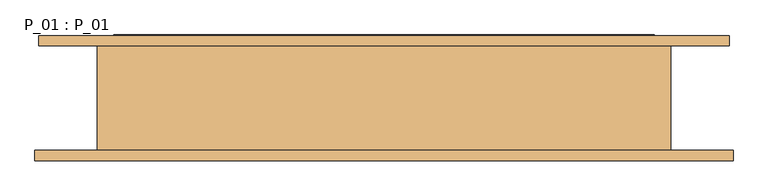
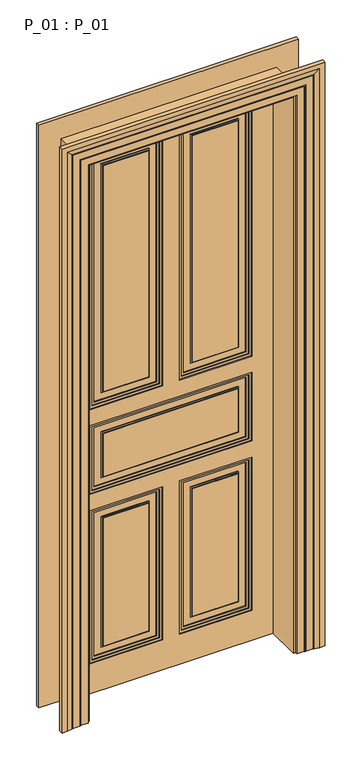
"""IFC4 building model written with IfcOpenShell, lengths in millimetres: door geometry, P_01 : P_01."""

from ifc_helpers import new_model, si_unit, frame, origin, origin_with_axes, place, context, project, spatial, polyline, outline, extrude, faceted_brep, source, transform, mapped, element, save


def p_01_p_01_f4039134(model_context):
    return source(origin(), model_context, "Body", "SolidModel", [
        extrude(outline(polyline([(2300.0, 45.0), (1235.0, 45.0), (1235.0, 320.0), (2300.0, 320.0), (2300.0, 45.0)]), holes=[polyline([(2290.0, 55.0), (2290.0, 310.0), (1245.0, 310.0), (1245.0, 55.0), (2290.0, 55.0)])]), frame((0.0, 71.0, 0.0), z_axis=(0.0, 1.0, 0.0), x_axis=(0.0, 0.0, 1.0)), (0.0, 0.0, 1.0), 4.0),
        extrude(outline(polyline([(2300.0, -320.0), (1235.0, -320.0), (1235.0, -45.0), (2300.0, -45.0), (2300.0, -320.0)]), holes=[polyline([(2290.0, -310.0), (2290.0, -55.0), (1245.0, -55.0), (1245.0, -310.0), (2290.0, -310.0)])]), frame((0.0, 71.0, 0.0), z_axis=(0.0, 1.0, 0.0), x_axis=(0.0, 0.0, 1.0)), (0.0, 0.0, 1.0), 4.0),
        extrude(outline(polyline([(780.0, 45.0), (140.0, 45.0), (140.0, 320.0), (780.0, 320.0), (780.0, 45.0)]), holes=[polyline([(770.0, 55.0), (770.0, 310.0), (150.0, 310.0), (150.0, 55.0), (770.0, 55.0)])]), frame((0.0, 71.0, 0.0), z_axis=(0.0, 1.0, 0.0), x_axis=(0.0, 0.0, 1.0)), (0.0, 0.0, 1.0), 4.0),
        extrude(outline(polyline([(780.0, -320.0), (140.0, -320.0), (140.0, -45.0), (780.0, -45.0), (780.0, -320.0)]), holes=[polyline([(770.0, -310.0), (770.0, -55.0), (150.0, -55.0), (150.0, -310.0), (770.0, -310.0)])]), frame((0.0, 71.0, 0.0), z_axis=(0.0, 1.0, 0.0), x_axis=(0.0, 0.0, 1.0)), (0.0, 0.0, 1.0), 4.0),
        extrude(outline(polyline([(740.0, 85.0), (180.0, 85.0), (180.0, 280.0), (740.0, 280.0), (740.0, 85.0)]), holes=[polyline([(735.0, 90.0), (735.0, 275.0), (185.0, 275.0), (185.0, 90.0), (735.0, 90.0)])]), frame((0.0, 71.0, 0.0), z_axis=(0.0, 1.0, 0.0), x_axis=(0.0, 0.0, 1.0)), (0.0, 0.0, 1.0), 4.0),
        extrude(outline(polyline([(740.0, -280.0), (180.0, -280.0), (180.0, -85.0), (740.0, -85.0), (740.0, -280.0)]), holes=[polyline([(735.0, -275.0), (735.0, -90.0), (185.0, -90.0), (185.0, -275.0), (735.0, -275.0)])]), frame((0.0, 71.0, 0.0), z_axis=(0.0, 1.0, 0.0), x_axis=(0.0, 0.0, 1.0)), (0.0, 0.0, 1.0), 4.0),
        extrude(outline(polyline([(1145.0, -320.0), (870.0, -320.0), (870.0, 320.0), (1145.0, 320.0), (1145.0, -320.0)]), holes=[polyline([(1135.0, -310.0), (1135.0, 310.0), (880.0, 310.0), (880.0, -310.0), (1135.0, -310.0)])]), frame((0.0, 71.0, 0.0), z_axis=(0.0, 1.0, 0.0), x_axis=(0.0, 0.0, 1.0)), (0.0, 0.0, 1.0), 4.0),
        extrude(outline(polyline([(1105.0, -280.0), (910.0, -280.0), (910.0, 280.0), (1105.0, 280.0), (1105.0, -280.0)]), holes=[polyline([(1100.0, -275.0), (1100.0, 275.0), (915.0, 275.0), (915.0, -275.0), (1100.0, -275.0)])]), frame((0.0, 71.0, 0.0), z_axis=(0.0, 1.0, 0.0), x_axis=(0.0, 0.0, 1.0)), (0.0, 0.0, 1.0), 4.0),
        extrude(outline(polyline([(2260.0, 85.0), (1275.0, 85.0), (1275.0, 280.0), (2260.0, 280.0), (2260.0, 85.0)]), holes=[polyline([(2255.0, 90.0), (2255.0, 275.0), (1280.0, 275.0), (1280.0, 90.0), (2255.0, 90.0)])]), frame((0.0, 71.0, 0.0), z_axis=(0.0, 1.0, 0.0), x_axis=(0.0, 0.0, 1.0)), (0.0, 0.0, 1.0), 4.0),
        extrude(outline(polyline([(1275.0, -280.0), (1275.0, -85.0), (2260.0, -85.0), (2260.0, -280.0), (1275.0, -280.0)]), holes=[polyline([(1280.0, -275.0), (2255.0, -275.0), (2255.0, -90.0), (1280.0, -90.0), (1280.0, -275.0)])]), frame((0.0, 71.0, 0.0), z_axis=(0.0, 1.0, 0.0), x_axis=(0.0, 0.0, 1.0)), (0.0, 0.0, 1.0), 4.0),
        extrude(outline(polyline([(90.0, 75.0), (275.0, 75.0), (275.0, 67.0), (90.0, 67.0), (90.0, 75.0)])), frame((0.0, 0.0, 185.0), z_axis=(0.0, 0.0, 1.0), x_axis=(1.0, 0.0, 0.0)), (0.0, 0.0, 1.0), 550.0),
        extrude(outline(polyline([(-275.0, 75.0), (-90.0, 75.0), (-90.0, 67.0), (-275.0, 67.0), (-275.0, 75.0)])), frame((0.0, 0.0, 185.0), z_axis=(0.0, 0.0, 1.0), x_axis=(1.0, 0.0, 0.0)), (0.0, 0.0, 1.0), 550.0),
        extrude(outline(polyline([(-275.0, 75.0), (275.0, 75.0), (275.0, 67.0), (-275.0, 67.0), (-275.0, 75.0)])), frame((0.0, 0.0, 915.0), z_axis=(0.0, 0.0, 1.0), x_axis=(1.0, 0.0, 0.0)), (0.0, 0.0, 1.0), 185.0),
        extrude(outline(polyline([(90.0, 75.0), (275.0, 75.0), (275.0, 67.0), (90.0, 67.0), (90.0, 75.0)])), frame((0.0, 0.0, 1280.0), z_axis=(0.0, 0.0, 1.0), x_axis=(1.0, 0.0, 0.0)), (0.0, 0.0, 1.0), 975.0),
        extrude(outline(polyline([(-275.0, 75.0), (-90.0, 75.0), (-90.0, 67.0), (-275.0, 67.0), (-275.0, 75.0)])), frame((0.0, 0.0, 1280.0), z_axis=(0.0, 0.0, 1.0), x_axis=(1.0, 0.0, 0.0)), (0.0, 0.0, 1.0), 975.0),
        extrude(outline(polyline([(2310.0, -35.0), (2310.0, -330.0), (1225.0, -330.0), (1225.0, -35.0), (2310.0, -35.0)]), holes=[polyline([(2300.0, -320.0), (2300.0, -45.0), (1235.0, -45.0), (1235.0, -320.0), (2300.0, -320.0)])]), frame((0.0, 67.0, 0.0), z_axis=(0.0, 1.0, 0.0), x_axis=(0.0, 0.0, 1.0)), (0.0, 0.0, 1.0), 8.0),
        extrude(outline(polyline([(1225.0, 330.0), (2310.0, 330.0), (2310.0, 35.0), (1225.0, 35.0), (1225.0, 330.0)]), holes=[polyline([(2300.0, 45.0), (2300.0, 320.0), (1235.0, 320.0), (1235.0, 45.0), (2300.0, 45.0)])]), frame((0.0, 67.0, 0.0), z_axis=(0.0, 1.0, 0.0), x_axis=(0.0, 0.0, 1.0)), (0.0, 0.0, 1.0), 8.0),
        extrude(outline(polyline([(790.0, -330.0), (130.0, -330.0), (130.0, -35.0), (790.0, -35.0), (790.0, -330.0)]), holes=[polyline([(780.0, -320.0), (780.0, -45.0), (140.0, -45.0), (140.0, -320.0), (780.0, -320.0)])]), frame((0.0, 67.0, 0.0), z_axis=(0.0, 1.0, 0.0), x_axis=(0.0, 0.0, 1.0)), (0.0, 0.0, 1.0), 8.0),
        extrude(outline(polyline([(130.0, 330.0), (790.0, 330.0), (790.0, 35.0), (130.0, 35.0), (130.0, 330.0)]), holes=[polyline([(780.0, 45.0), (780.0, 320.0), (140.0, 320.0), (140.0, 45.0), (780.0, 45.0)])]), frame((0.0, 67.0, 0.0), z_axis=(0.0, 1.0, 0.0), x_axis=(0.0, 0.0, 1.0)), (0.0, 0.0, 1.0), 8.0),
        extrude(outline(polyline([(1155.0, -330.0), (860.0, -330.0), (860.0, 330.0), (1155.0, 330.0), (1155.0, -330.0)]), holes=[polyline([(1145.0, -320.0), (1145.0, 320.0), (870.0, 320.0), (870.0, -320.0), (1145.0, -320.0)])]), frame((0.0, 67.0, 0.0), z_axis=(0.0, 1.0, 0.0), x_axis=(0.0, 0.0, 1.0)), (0.0, 0.0, 1.0), 8.0),
        extrude(outline(polyline([(0.0, 415.0), (2395.0, 415.0), (2395.0, -415.0), (0.0, -415.0), (0.0, 415.0)]), holes=[polyline([(1225.0, 35.0), (2310.0, 35.0), (2310.0, 330.0), (1225.0, 330.0), (1225.0, 35.0)]), polyline([(1225.0, -35.0), (1225.0, -330.0), (2310.0, -330.0), (2310.0, -35.0), (1225.0, -35.0)]), polyline([(790.0, -35.0), (130.0, -35.0), (130.0, -330.0), (790.0, -330.0), (790.0, -35.0)]), polyline([(130.0, 35.0), (790.0, 35.0), (790.0, 330.0), (130.0, 330.0), (130.0, 35.0)]), polyline([(1155.0, 330.0), (860.0, 330.0), (860.0, -330.0), (1155.0, -330.0), (1155.0, 330.0)])]), frame((0.0, 63.0, 0.0), z_axis=(0.0, 1.0, 0.0), x_axis=(0.0, 0.0, 1.0)), (0.0, 0.0, 1.0), 12.0),
        extrude(outline(polyline([(275.0, 85.0), (90.0, 85.0), (90.0, 93.0), (275.0, 93.0), (275.0, 85.0)])), frame((0.0, 0.0, 185.0), z_axis=(0.0, 0.0, 1.0), x_axis=(1.0, 0.0, 0.0)), (0.0, 0.0, 1.0), 550.0),
        extrude(outline(polyline([(-90.0, 85.0), (-275.0, 85.0), (-275.0, 93.0), (-90.0, 93.0), (-90.0, 85.0)])), frame((0.0, 0.0, 185.0), z_axis=(0.0, 0.0, 1.0), x_axis=(1.0, 0.0, 0.0)), (0.0, 0.0, 1.0), 550.0),
        extrude(outline(polyline([(275.0, 85.0), (-275.0, 85.0), (-275.0, 93.0), (275.0, 93.0), (275.0, 85.0)])), frame((0.0, 0.0, 915.0), z_axis=(0.0, 0.0, 1.0), x_axis=(1.0, 0.0, 0.0)), (0.0, 0.0, 1.0), 185.0),
        extrude(outline(polyline([(275.0, 85.0), (90.0, 85.0), (90.0, 93.0), (275.0, 93.0), (275.0, 85.0)])), frame((0.0, 0.0, 1280.0), z_axis=(0.0, 0.0, 1.0), x_axis=(1.0, 0.0, 0.0)), (0.0, 0.0, 1.0), 975.0),
        extrude(outline(polyline([(-90.0, 85.0), (-275.0, 85.0), (-275.0, 93.0), (-90.0, 93.0), (-90.0, 85.0)])), frame((0.0, 0.0, 1280.0), z_axis=(0.0, 0.0, 1.0), x_axis=(1.0, 0.0, 0.0)), (0.0, 0.0, 1.0), 975.0),
        extrude(outline(polyline([(420.0, 75.0), (-420.0, 75.0), (-420.0, 85.0), (420.0, 85.0), (420.0, 75.0)])), origin_with_axes(), (0.0, 0.0, 1.0), 2400.0),
        extrude(outline(polyline([(2300.0, 45.0), (1235.0, 45.0), (1235.0, 320.0), (2300.0, 320.0), (2300.0, 45.0)]), holes=[polyline([(2290.0, 55.0), (2290.0, 310.0), (1245.0, 310.0), (1245.0, 55.0), (2290.0, 55.0)])]), frame((0.0, 85.0, 0.0), z_axis=(0.0, 1.0, 0.0), x_axis=(0.0, 0.0, 1.0)), (0.0, 0.0, 1.0), 4.0),
        extrude(outline(polyline([(2300.0, -320.0), (1235.0, -320.0), (1235.0, -45.0), (2300.0, -45.0), (2300.0, -320.0)]), holes=[polyline([(2290.0, -310.0), (2290.0, -55.0), (1245.0, -55.0), (1245.0, -310.0), (2290.0, -310.0)])]), frame((0.0, 85.0, 0.0), z_axis=(0.0, 1.0, 0.0), x_axis=(0.0, 0.0, 1.0)), (0.0, 0.0, 1.0), 4.0),
        extrude(outline(polyline([(780.0, 45.0), (140.0, 45.0), (140.0, 320.0), (780.0, 320.0), (780.0, 45.0)]), holes=[polyline([(770.0, 55.0), (770.0, 310.0), (150.0, 310.0), (150.0, 55.0), (770.0, 55.0)])]), frame((0.0, 85.0, 0.0), z_axis=(0.0, 1.0, 0.0), x_axis=(0.0, 0.0, 1.0)), (0.0, 0.0, 1.0), 4.0),
        extrude(outline(polyline([(780.0, -320.0), (140.0, -320.0), (140.0, -45.0), (780.0, -45.0), (780.0, -320.0)]), holes=[polyline([(770.0, -310.0), (770.0, -55.0), (150.0, -55.0), (150.0, -310.0), (770.0, -310.0)])]), frame((0.0, 85.0, 0.0), z_axis=(0.0, 1.0, 0.0), x_axis=(0.0, 0.0, 1.0)), (0.0, 0.0, 1.0), 4.0),
        extrude(outline(polyline([(740.0, 85.0), (180.0, 85.0), (180.0, 280.0), (740.0, 280.0), (740.0, 85.0)]), holes=[polyline([(735.0, 90.0), (735.0, 275.0), (185.0, 275.0), (185.0, 90.0), (735.0, 90.0)])]), frame((0.0, 85.0, 0.0), z_axis=(0.0, 1.0, 0.0), x_axis=(0.0, 0.0, 1.0)), (0.0, 0.0, 1.0), 4.0),
        extrude(outline(polyline([(740.0, -280.0), (180.0, -280.0), (180.0, -85.0), (740.0, -85.0), (740.0, -280.0)]), holes=[polyline([(735.0, -275.0), (735.0, -90.0), (185.0, -90.0), (185.0, -275.0), (735.0, -275.0)])]), frame((0.0, 85.0, 0.0), z_axis=(0.0, 1.0, 0.0), x_axis=(0.0, 0.0, 1.0)), (0.0, 0.0, 1.0), 4.0),
        extrude(outline(polyline([(1145.0, -320.0), (870.0, -320.0), (870.0, 320.0), (1145.0, 320.0), (1145.0, -320.0)]), holes=[polyline([(1135.0, -310.0), (1135.0, 310.0), (880.0, 310.0), (880.0, -310.0), (1135.0, -310.0)])]), frame((0.0, 85.0, 0.0), z_axis=(0.0, 1.0, 0.0), x_axis=(0.0, 0.0, 1.0)), (0.0, 0.0, 1.0), 4.0),
        extrude(outline(polyline([(1105.0, -280.0), (910.0, -280.0), (910.0, 280.0), (1105.0, 280.0), (1105.0, -280.0)]), holes=[polyline([(1100.0, -275.0), (1100.0, 275.0), (915.0, 275.0), (915.0, -275.0), (1100.0, -275.0)])]), frame((0.0, 85.0, 0.0), z_axis=(0.0, 1.0, 0.0), x_axis=(0.0, 0.0, 1.0)), (0.0, 0.0, 1.0), 4.0),
        extrude(outline(polyline([(2260.0, 85.0), (1275.0, 85.0), (1275.0, 280.0), (2260.0, 280.0), (2260.0, 85.0)]), holes=[polyline([(2255.0, 90.0), (2255.0, 275.0), (1280.0, 275.0), (1280.0, 90.0), (2255.0, 90.0)])]), frame((0.0, 85.0, 0.0), z_axis=(0.0, 1.0, 0.0), x_axis=(0.0, 0.0, 1.0)), (0.0, 0.0, 1.0), 4.0),
        extrude(outline(polyline([(1275.0, -280.0), (1275.0, -85.0), (2260.0, -85.0), (2260.0, -280.0), (1275.0, -280.0)]), holes=[polyline([(1280.0, -275.0), (2255.0, -275.0), (2255.0, -90.0), (1280.0, -90.0), (1280.0, -275.0)])]), frame((0.0, 85.0, 0.0), z_axis=(0.0, 1.0, 0.0), x_axis=(0.0, 0.0, 1.0)), (0.0, 0.0, 1.0), 4.0),
        extrude(outline(polyline([(2310.0, -35.0), (2310.0, -330.0), (1225.0, -330.0), (1225.0, -35.0), (2310.0, -35.0)]), holes=[polyline([(2300.0, -320.0), (2300.0, -45.0), (1235.0, -45.0), (1235.0, -320.0), (2300.0, -320.0)])]), frame((0.0, 85.0, 0.0), z_axis=(0.0, 1.0, 0.0), x_axis=(0.0, 0.0, 1.0)), (0.0, 0.0, 1.0), 8.0),
        extrude(outline(polyline([(1225.0, 330.0), (2310.0, 330.0), (2310.0, 35.0), (1225.0, 35.0), (1225.0, 330.0)]), holes=[polyline([(2300.0, 45.0), (2300.0, 320.0), (1235.0, 320.0), (1235.0, 45.0), (2300.0, 45.0)])]), frame((0.0, 85.0, 0.0), z_axis=(0.0, 1.0, 0.0), x_axis=(0.0, 0.0, 1.0)), (0.0, 0.0, 1.0), 8.0),
        extrude(outline(polyline([(790.0, -330.0), (130.0, -330.0), (130.0, -35.0), (790.0, -35.0), (790.0, -330.0)]), holes=[polyline([(780.0, -320.0), (780.0, -45.0), (140.0, -45.0), (140.0, -320.0), (780.0, -320.0)])]), frame((0.0, 85.0, 0.0), z_axis=(0.0, 1.0, 0.0), x_axis=(0.0, 0.0, 1.0)), (0.0, 0.0, 1.0), 8.0),
        extrude(outline(polyline([(130.0, 330.0), (790.0, 330.0), (790.0, 35.0), (130.0, 35.0), (130.0, 330.0)]), holes=[polyline([(780.0, 45.0), (780.0, 320.0), (140.0, 320.0), (140.0, 45.0), (780.0, 45.0)])]), frame((0.0, 85.0, 0.0), z_axis=(0.0, 1.0, 0.0), x_axis=(0.0, 0.0, 1.0)), (0.0, 0.0, 1.0), 8.0),
        extrude(outline(polyline([(1155.0, -330.0), (860.0, -330.0), (860.0, 330.0), (1155.0, 330.0), (1155.0, -330.0)]), holes=[polyline([(1145.0, -320.0), (1145.0, 320.0), (870.0, 320.0), (870.0, -320.0), (1145.0, -320.0)])]), frame((0.0, 85.0, 0.0), z_axis=(0.0, 1.0, 0.0), x_axis=(0.0, 0.0, 1.0)), (0.0, 0.0, 1.0), 8.0),
        extrude(outline(polyline([(0.0, 415.0), (2395.0, 415.0), (2395.0, -415.0), (0.0, -415.0), (0.0, 415.0)]), holes=[polyline([(1225.0, 35.0), (2310.0, 35.0), (2310.0, 330.0), (1225.0, 330.0), (1225.0, 35.0)]), polyline([(1225.0, -35.0), (1225.0, -330.0), (2310.0, -330.0), (2310.0, -35.0), (1225.0, -35.0)]), polyline([(790.0, -35.0), (130.0, -35.0), (130.0, -330.0), (790.0, -330.0), (790.0, -35.0)]), polyline([(130.0, 35.0), (790.0, 35.0), (790.0, 330.0), (130.0, 330.0), (130.0, 35.0)]), polyline([(1155.0, 330.0), (860.0, 330.0), (860.0, -330.0), (1155.0, -330.0), (1155.0, 330.0)])]), frame((0.0, 85.0, 0.0), z_axis=(0.0, 1.0, 0.0), x_axis=(0.0, 0.0, 1.0)), (0.0, 0.0, 1.0), 12.0),
        extrude(outline(polyline([(0.0, 415.0), (0.0, 420.0), (2400.0, 420.0), (2400.0, -420.0), (0.0, -420.0), (0.0, -415.0), (2395.0, -415.0), (2395.0, 415.0), (0.0, 415.0)])), frame((0.0, 85.0, 0.0), z_axis=(0.0, 1.0, 0.0), x_axis=(0.0, 0.0, 1.0)), (0.0, 0.0, 1.0), 5.0),
        faceted_brep([(530.0, 80.0, 0.0), (440.0, 80.0, 0.0), (440.0, -80.0, 0.0), (536.0, -80.0, 0.0), (536.0, -96.0, 0.0), (516.0, -96.0, 0.0), (496.0, -92.0291126, 0.0), (496.0, -91.0291126, 0.0), (491.0, -91.0291126, 0.0), (491.0, -90.0291126, 0.0), (461.0, -90.0291126, 0.0), (461.0, -89.0291126, 0.0), (456.0, -89.0291126, 0.0), (456.0, -88.0291126, 0.0), (426.0, -88.0291126, 0.0), (426.0, -80.0, 0.0), (416.0, -80.0, 0.0), (416.0, 80.0, 0.0), (426.0, 80.0, 0.0), (426.0, 88.0291126, 0.0), (456.0, 88.0291126, 0.0), (456.0, 89.0291126, 0.0), (461.0, 89.0291126, 0.0), (461.0, 90.0291126, 0.0), (485.0, 90.0291126, 0.0), (485.0, 91.0291126, 0.0), (490.0, 91.0291126, 0.0), (490.0, 92.0291126, 0.0), (510.0, 96.0, 0.0), (530.0, 96.0, 0.0), (530.0, 80.0, 2510.0), (-530.0, 80.0, 2510.0), (-530.0, 80.0, 0.0), (-440.0, 80.0, 0.0), (-440.0, 80.0, 2420.0), (440.0, 80.0, 2420.0), (440.0, -80.0, 2420.0), (-440.0, -80.0, 2420.0), (-440.0, -80.0, 0.0), (-536.0, -80.0, 0.0), (-536.0, -80.0, 2516.0), (536.0, -80.0, 2516.0), (536.0, -96.0, 2516.0), (-536.0, -96.0, 2516.0), (-536.0, -96.0, 0.0), (-516.0, -96.0, 0.0), (-516.0, -96.0, 2496.0), (516.0, -96.0, 2496.0), (496.0, -92.0291126, 2476.0), (496.0, -91.0291126, 2476.0), (-496.0, -91.0291126, 2476.0), (-496.0, -91.0291126, 0.0), (-491.0, -91.0291126, 0.0), (-491.0, -91.0291126, 2471.0), (491.0, -91.0291126, 2471.0), (491.0, -90.0291126, 2471.0), (-491.0, -90.0291126, 2471.0), (-491.0, -90.0291126, 0.0), (-461.0, -90.0291126, 0.0), (-461.0, -90.0291126, 2441.0), (461.0, -90.0291126, 2441.0), (461.0, -89.0291126, 2441.0), (-461.0, -89.0291126, 2441.0), (-461.0, -89.0291126, 0.0), (-456.0, -89.0291126, 0.0), (-456.0, -89.0291126, 2436.0), (456.0, -89.0291126, 2436.0), (456.0, -88.0291126, 2436.0), (-456.0, -88.0291126, 2436.0), (-456.0, -88.0291126, 0.0), (-426.0, -88.0291126, 0.0), (-426.0, -88.0291126, 2406.0), (426.0, -88.0291126, 2406.0), (426.0, -80.0, 2406.0), (-426.0, -80.0, 2406.0), (-426.0, -80.0, 0.0), (-416.0, -80.0, 0.0), (-416.0, -80.0, 2396.0), (416.0, -80.0, 2396.0), (416.0, 80.0, 2396.0), (-416.0, 80.0, 2396.0), (-416.0, 80.0, 0.0), (-426.0, 80.0, 0.0), (-426.0, 80.0, 2406.0), (426.0, 80.0, 2406.0), (426.0, 88.0291126, 2406.0), (-426.0, 88.0291126, 2406.0), (-426.0, 88.0291126, 0.0), (-456.0, 88.0291126, 0.0), (-456.0, 88.0291126, 2436.0), (456.0, 88.0291126, 2436.0), (456.0, 89.0291126, 2436.0), (-456.0, 89.0291126, 2436.0), (-456.0, 89.0291126, 0.0), (-461.0, 89.0291126, 0.0), (-461.0, 89.0291126, 2441.0), (461.0, 89.0291126, 2441.0), (461.0, 90.0291126, 2441.0), (-461.0, 90.0291126, 2441.0), (-461.0, 90.0291126, 0.0), (-485.0, 90.0291126, 0.0), (-485.0, 90.0291126, 2465.0), (485.0, 90.0291126, 2465.0), (485.0, 91.0291126, 2465.0), (-485.0, 91.0291126, 2465.0), (-485.0, 91.0291126, 0.0), (-490.0, 91.0291126, 0.0), (-490.0, 91.0291126, 2470.0), (490.0, 91.0291126, 2470.0), (490.0, 92.0291126, 2470.0), (510.0, 96.0, 2490.0), (-510.0, 96.0, 2490.0), (-510.0, 96.0, 0.0), (-530.0, 96.0, 0.0), (-530.0, 96.0, 2510.0), (530.0, 96.0, 2510.0), (-490.0, 92.0291126, 0.0), (-496.0, -92.0291126, 0.0), (-490.0, 92.0291126, 2470.0), (-496.0, -92.0291126, 2476.0)], [[[0, 1, 2, 3, 4, 5, 6, 7, 8, 9, 10, 11, 12, 13, 14, 15, 16, 17, 18, 19, 20, 21, 22, 23, 24, 25, 26, 27, 28, 29]], [[1, 0, 30, 31, 32, 33, 34, 35]], [[2, 1, 35, 36]], [[3, 2, 36, 37, 38, 39, 40, 41]], [[4, 3, 41, 42]], [[5, 4, 42, 43, 44, 45, 46, 47]], [[6, 5, 47, 48]], [[7, 6, 48, 49]], [[8, 7, 49, 50, 51, 52, 53, 54]], [[9, 8, 54, 55]], [[10, 9, 55, 56, 57, 58, 59, 60]], [[11, 10, 60, 61]], [[12, 11, 61, 62, 63, 64, 65, 66]], [[13, 12, 66, 67]], [[14, 13, 67, 68, 69, 70, 71, 72]], [[15, 14, 72, 73]], [[16, 15, 73, 74, 75, 76, 77, 78]], [[17, 16, 78, 79]], [[18, 17, 79, 80, 81, 82, 83, 84]], [[19, 18, 84, 85]], [[20, 19, 85, 86, 87, 88, 89, 90]], [[21, 20, 90, 91]], [[22, 21, 91, 92, 93, 94, 95, 96]], [[23, 22, 96, 97]], [[24, 23, 97, 98, 99, 100, 101, 102]], [[25, 24, 102, 103]], [[26, 25, 103, 104, 105, 106, 107, 108]], [[27, 26, 108, 109]], [[28, 27, 109, 110]], [[29, 28, 110, 111, 112, 113, 114, 115]], [[0, 29, 115, 30]], [[31, 114, 113, 32]], [[32, 113, 112, 116, 106, 105, 100, 99, 94, 93, 88, 87, 82, 81, 76, 75, 70, 69, 64, 63, 58, 57, 52, 51, 117, 45, 44, 39, 38, 33]], [[37, 34, 33, 38]], [[74, 71, 70, 75]], [[80, 77, 76, 81]], [[86, 83, 82, 87]], [[111, 118, 116, 112]], [[118, 107, 106, 116]], [[104, 101, 100, 105]], [[98, 95, 94, 99]], [[92, 89, 88, 93]], [[68, 65, 64, 69]], [[62, 59, 58, 63]], [[56, 53, 52, 57]], [[50, 119, 117, 51]], [[119, 46, 45, 117]], [[43, 40, 39, 44]], [[30, 115, 114, 31]], [[36, 35, 34, 37]], [[73, 72, 71, 74]], [[79, 78, 77, 80]], [[85, 84, 83, 86]], [[91, 90, 89, 92]], [[97, 96, 95, 98]], [[103, 102, 101, 104]], [[109, 108, 107, 118]], [[110, 109, 118, 111]], [[42, 41, 40, 43]], [[48, 47, 46, 119]], [[49, 48, 119, 50]], [[55, 54, 53, 56]], [[61, 60, 59, 62]], [[67, 66, 65, 68]]]),
    ])


if __name__ == "__main__":
    model = new_model("IFC4")
    model_context = context("Model", 3, world=origin())
    ifc_project = project(units=[si_unit("LENGTHUNIT", "METRE", prefix="MILLI")], contexts=[model_context])
    site = spatial("IfcSite", under=ifc_project)
    building = spatial("IfcBuilding", under=site)
    placement = place(None, origin())
    p_01_p_01_shape = p_01_p_01_f4039134(model_context)
    element("IfcDoor", 1, ObjectType="P_01 : P_01", at=placement, inside=building, context=model_context, shape_type="MappedRepresentation", body=[
        mapped(p_01_p_01_shape, transform((0.0, 0.0, 0.0), x_axis=(1.0, 0.0, 0.0), y_axis=(0.0, 1.0, 0.0), z_axis=(0.0, 0.0, 1.0))),
    ])
    save(model, "model.ifc")
